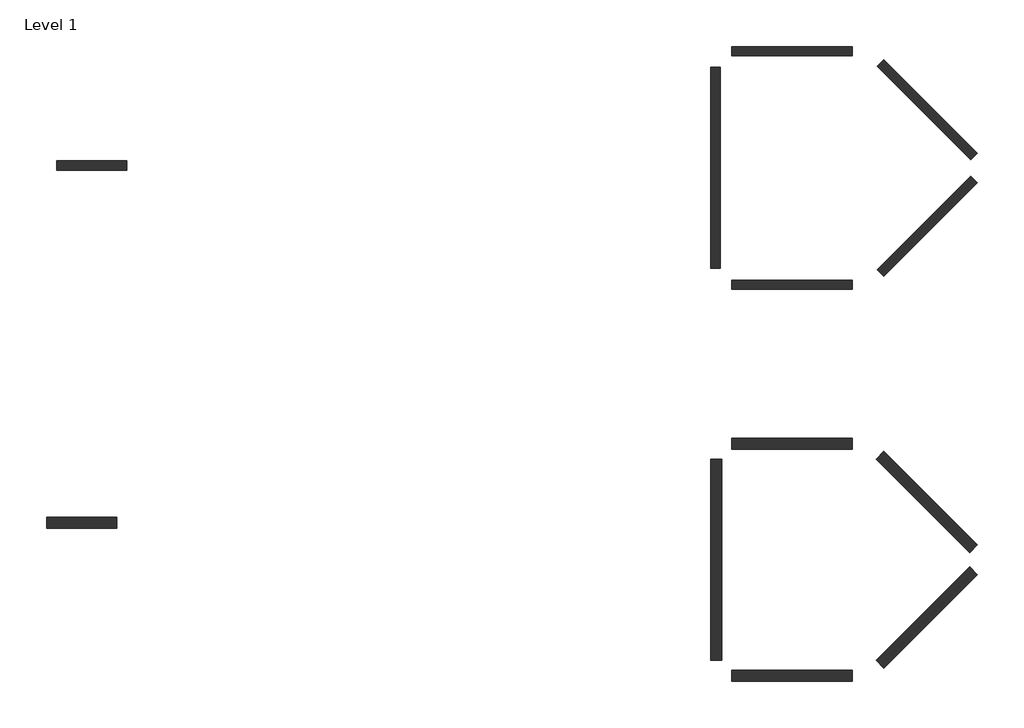
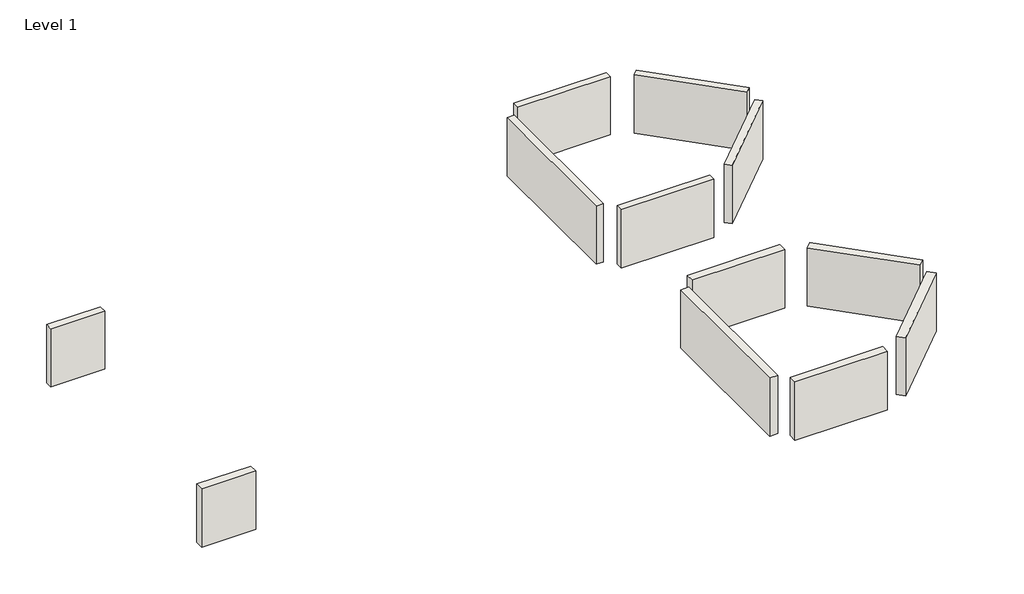
# One storey: 12 walls.
"""IFC4 building model written with IfcOpenShell, lengths in millimetres."""

from ifc_helpers import new_model, si_unit, origin, origin_with_axes, place, context, project, spatial, polyline, outline, extrude, element, save

model = new_model("IFC4")

# Units and contexts
model_context = context("Model", 3, world=origin())
ifc_project = project(units=[si_unit("LENGTHUNIT", "METRE", prefix="MILLI")], contexts=[model_context])

# Site, building, storey
site = spatial("IfcSite", under=ifc_project)
building = spatial("IfcBuilding", under=site)
storey = spatial("IfcBuildingStorey", under=building, Name="Level 1", Elevation=0.0)

# Walls
placement = place(None, origin())
element("IfcWall", 1, ObjectType="BB-6DT 6\" Double Taper Top Block", at=placement, inside=storey, context=model_context, shape_type="SweptSolid", body=[
    extrude(outline(polyline([(7458.6042702, -7974.7632941), (11116.2042702, -7974.7632941), (11116.2042702, -8254.1632941), (7458.6042702, -8254.1632941), (7458.6042702, -7974.7632941)])), origin_with_axes(), (0.0, 0.0, 1.0), 2438.4),
])
element("IfcWall", 2, ObjectType="BB-6DT 6\" Double Taper Top Block", at=placement, inside=storey, context=model_context, shape_type="SweptSolid", body=[
    extrude(outline(polyline([(6823.6042702, -14705.7632941), (6823.6042702, -8609.7632941), (7103.0042702, -8609.7632941), (7103.0042702, -14705.7632941), (6823.6042702, -14705.7632941)])), origin_with_axes(), (0.0, 0.0, 1.0), 2438.4),
])
element("IfcWall", 3, ObjectType="BB-6DT 6\" Double Taper Top Block", at=placement, inside=storey, context=model_context, shape_type="SweptSolid", body=[
    extrude(outline(polyline([(11116.2042702, -15340.7632941), (7458.6042702, -15340.7632941), (7458.6042702, -15061.3632941), (11116.2042702, -15061.3632941), (11116.2042702, -15340.7632941)])), origin_with_axes(), (0.0, 0.0, 1.0), 2438.4),
])
element("IfcWall", 4, ObjectType="BB-6DT 6\" Double Taper Top Block", at=placement, inside=storey, context=model_context, shape_type="SweptSolid", body=[
    extrude(outline(polyline([(14908.9914642, -12106.7761002), (12070.1355396, -14945.6320248), (11872.5699049, -14748.0663901), (14711.4258295, -11909.2104655), (14908.9914642, -12106.7761002)])), origin_with_axes(), (0.0, 0.0, 1.0), 2438.4),
])
element("IfcWall", 5, ObjectType="BB-6DT 6\" Double Taper Top Block", at=placement, inside=storey, context=model_context, shape_type="SweptSolid", body=[
    extrude(outline(polyline([(14711.4258295, -11406.3161227), (11872.5699049, -8567.4601981), (12070.1355396, -8369.8945634), (14908.9914642, -11208.7504881), (14711.4258295, -11406.3161227)])), origin_with_axes(), (0.0, 0.0, 1.0), 2438.4),
])
element("IfcWall", 6, ObjectType="BB-6DT 6\" Double Taper Top Block", at=placement, inside=storey, context=model_context, shape_type="SweptSolid", body=[
    extrude(outline(polyline([(-10896.5701176, -11721.2632941), (-13030.1701176, -11721.2632941), (-13030.1701176, -11441.8632941), (-10896.5701176, -11441.8632941), (-10896.5701176, -11721.2632941)])), origin_with_axes(), (0.0, 0.0, 1.0), 2438.4),
])
element("IfcWall", 7, ObjectType="BB-8DT 8\" Double Taper Top Block", at=placement, inside=storey, context=model_context, shape_type="SweptSolid", body=[
    extrude(outline(polyline([(7458.6042702, -19861.9632941), (11116.2042702, -19861.9632941), (11116.2042702, -20192.1632941), (7458.6042702, -20192.1632941), (7458.6042702, -19861.9632941)])), origin_with_axes(), (0.0, 0.0, 1.0), 2438.4),
])
element("IfcWall", 8, ObjectType="BB-8DT 8\" Double Taper Top Block", at=placement, inside=storey, context=model_context, shape_type="SweptSolid", body=[
    extrude(outline(polyline([(6823.6042702, -26592.9632941), (6823.6042702, -20496.9632941), (7153.8042702, -20496.9632941), (7153.8042702, -26592.9632941), (6823.6042702, -26592.9632941)])), origin_with_axes(), (0.0, 0.0, 1.0), 2438.4),
])
element("IfcWall", 9, ObjectType="BB-8DT 8\" Double Taper Top Block", at=placement, inside=storey, context=model_context, shape_type="SweptSolid", body=[
    extrude(outline(polyline([(11116.2042702, -27227.9632941), (7458.6042702, -27227.9632941), (7458.6042702, -26897.7632941), (11116.2042702, -26897.7632941), (11116.2042702, -27227.9632941)])), origin_with_axes(), (0.0, 0.0, 1.0), 2438.4),
])
element("IfcWall", 10, ObjectType="BB-8DT 8\" Double Taper Top Block", at=placement, inside=storey, context=model_context, shape_type="SweptSolid", body=[
    extrude(outline(polyline([(14908.9914642, -23993.9761002), (12070.1355396, -26832.8320248), (11836.6488804, -26599.3453656), (14675.504805, -23760.489441), (14908.9914642, -23993.9761002)])), origin_with_axes(), (0.0, 0.0, 1.0), 2438.4),
])
element("IfcWall", 11, ObjectType="BB-8DT 8\" Double Taper Top Block", at=placement, inside=storey, context=model_context, shape_type="SweptSolid", body=[
    extrude(outline(polyline([(14675.504805, -23329.4371472), (11836.6488804, -20490.5812226), (12070.1355396, -20257.0945634), (14908.9914642, -23095.9504881), (14675.504805, -23329.4371472)])), origin_with_axes(), (0.0, 0.0, 1.0), 2438.4),
])
element("IfcWall", 12, ObjectType="BB-8DT 8\" Double Taper Top Block", at=placement, inside=storey, context=model_context, shape_type="SweptSolid", body=[
    extrude(outline(polyline([(-11201.3701176, -22592.4632941), (-13334.9701176, -22592.4632941), (-13334.9701176, -22262.2632941), (-11201.3701176, -22262.2632941), (-11201.3701176, -22592.4632941)])), origin_with_axes(), (0.0, 0.0, 1.0), 2438.4),
])

save(model, "model.ifc")
